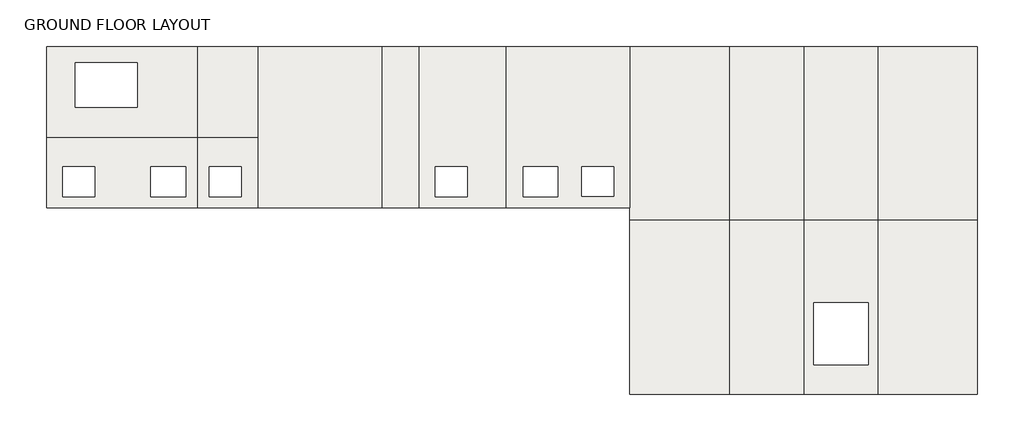
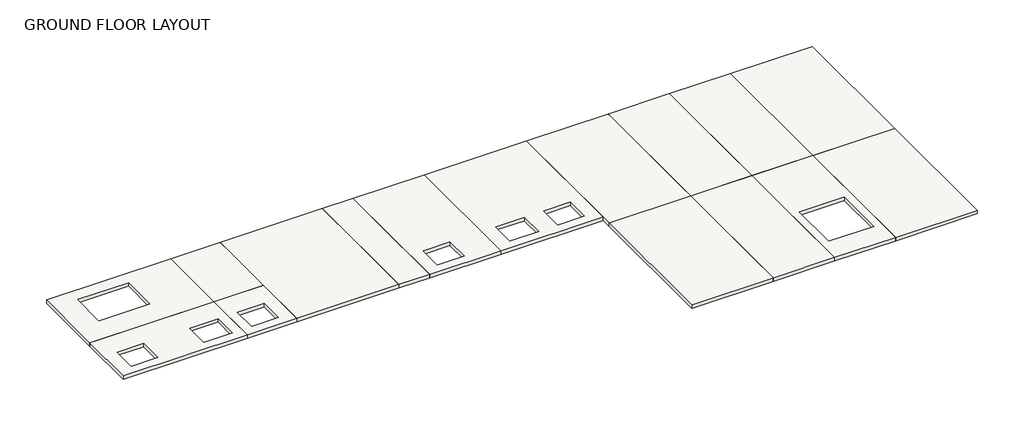
# One storey: 16 slabs.
"""IFC4 building model written with IfcOpenShell, lengths in millimetres."""

from ifc_helpers import new_model, si_unit, frame, origin, place, context, project, spatial, polyline, outline, extrude, faceted_brep, element, save

model = new_model("IFC4")

# Units and contexts
model_context = context("Model", 3, world=origin())
ifc_project = project(units=[si_unit("LENGTHUNIT", "METRE", prefix="MILLI")], contexts=[model_context])

# Site, building, storey
site = spatial("IfcSite", under=ifc_project)
building = spatial("IfcBuilding", under=site)
storey = spatial("IfcBuildingStorey", under=building, Name="GROUND FLOOR LAYOUT", Elevation=0.0)

# Slabs
placement = place(None, origin())
element("IfcSlab", 1, ObjectType="Insitu Concrete 175mm", at=placement, inside=storey, context=model_context, shape_type="SweptSolid", body=[
    extrude(outline(polyline([(26196.647918, 20479.978224), (26196.647918, 17654.978224), (23771.647918, 17654.978224), (23771.647918, 20479.978224), (26196.647918, 20479.978224)]), holes=[polyline([(24246.647918, 19304.978224), (24246.647918, 18104.978224), (25546.647918, 18104.978224), (25546.647918, 19304.978224), (24246.647918, 19304.978224)])]), frame((0.0, 0.0, -175.0), z_axis=(0.0, 0.0, 1.0), x_axis=(1.0, 0.0, 0.0)), (0.0, 0.0, 1.0), 175.0),
])
element("IfcSlab", 2, ObjectType="Insitu Concrete 175mm", at=placement, inside=storey, context=model_context, shape_type="SweptSolid", body=[
    extrude(outline(polyline([(23771.647918, 24154.978224), (23771.647918, 20479.978224), (17696.647918, 20479.978224), (17696.647918, 24154.978224), (23771.647918, 24154.978224)]), holes=[polyline([(18846.398417, 23504.746395), (18846.398417, 21704.9958962), (21346.398417, 21704.9958962), (21346.398417, 23504.746395), (18846.398417, 23504.746395)])]), frame((0.0, 0.0, -175.0), z_axis=(0.0, 0.0, 1.0), x_axis=(1.0, 0.0, 0.0)), (0.0, 0.0, 1.0), 175.0),
])
element("IfcSlab", 3, ObjectType="Insitu Concrete 175mm", at=placement, inside=storey, context=model_context, shape_type="SweptSolid", body=[
    extrude(outline(polyline([(23771.647918, 20479.978224), (23771.647918, 17654.978224), (17696.647918, 17654.978224), (17696.647918, 20479.978224), (23771.647918, 20479.978224)]), holes=[polyline([(18346.6456664, 19304.978224), (18346.6456664, 18104.7737216), (19646.6456664, 18104.7737216), (19646.6456664, 19304.978224), (18346.6456664, 19304.978224)]), polyline([(21896.647918, 19304.978224), (21896.647918, 18104.978224), (23296.647918, 18104.978224), (23296.647918, 19304.978224), (21896.647918, 19304.978224)])]), frame((0.0, 0.0, -175.0), z_axis=(0.0, 0.0, 1.0), x_axis=(1.0, 0.0, 0.0)), (0.0, 0.0, 1.0), 175.0),
])
element("IfcSlab", 4, ObjectType="Insitu Concrete 175mm", at=placement, inside=storey, context=model_context, shape_type="Brep", body=[
    faceted_brep([(26196.647918, 17654.978224, -175.0), (26196.647918, 17654.978224, 0.0), (26196.647918, 20479.978224, 0.0), (26196.647918, 24154.978224, 0.0), (26196.647918, 24154.978224, -175.0), (26196.647918, 20479.978224, -175.0), (31196.647918, 24154.978224, 0.0), (31196.647918, 24154.978224, -175.0), (31196.647918, 17654.978224, 0.0), (31196.647918, 17654.978224, -175.0)], [[[0, 1, 2, 3, 4, 5]], [[4, 3, 6, 7]], [[7, 6, 8, 9]], [[9, 8, 1, 0]], [[8, 6, 3, 2, 1]], [[9, 0, 5, 4, 7]]]),
])
element("IfcSlab", 5, ObjectType="Insitu Concrete 175mm", at=placement, inside=storey, context=model_context, shape_type="SweptSolid", body=[
    extrude(outline(polyline([(36196.647918, 24154.978224), (36196.647918, 17654.978224), (32696.647918, 17654.978224), (32696.647918, 24154.978224), (36196.647918, 24154.978224)]), holes=[polyline([(33346.1790466, 19304.978224), (33346.1790466, 18104.7737216), (34646.1790466, 18104.7737216), (34646.1790466, 19304.978224), (33346.1790466, 19304.978224)])]), frame((0.0, 0.0, -175.0), z_axis=(0.0, 0.0, 1.0), x_axis=(1.0, 0.0, 0.0)), (0.0, 0.0, 1.0), 175.0),
])
element("IfcSlab", 6, ObjectType="Insitu Concrete 175mm", at=placement, inside=storey, context=model_context, shape_type="SweptSolid", body=[
    extrude(outline(polyline([(45196.59455, 10154.978224), (41196.59455, 10154.978224), (41196.59455, 17154.978224), (45196.59455, 17154.978224), (45196.59455, 10154.978224)])), frame((0.0, 0.0, -175.0), z_axis=(0.0, 0.0, 1.0), x_axis=(1.0, 0.0, 0.0)), (0.0, 0.0, 1.0), 175.0),
])
element("IfcSlab", 7, ObjectType="Insitu Concrete 175mm", at=placement, inside=storey, context=model_context, shape_type="SweptSolid", body=[
    extrude(outline(polyline([(48196.59455, 10154.978224), (45196.59455, 10154.978224), (45196.59455, 17154.978224), (48196.59455, 17154.978224), (48196.59455, 10154.978224)])), frame((0.0, 0.0, -175.0), z_axis=(0.0, 0.0, 1.0), x_axis=(1.0, 0.0, 0.0)), (0.0, 0.0, 1.0), 175.0),
])
element("IfcSlab", 8, ObjectType="Insitu Concrete 175mm", at=placement, inside=storey, context=model_context, shape_type="SweptSolid", body=[
    extrude(outline(polyline([(51184.121234, 17154.978224), (51184.121234, 10154.978224), (48196.59455, 10154.978224), (48196.59455, 17154.978224), (51184.121234, 17154.978224)]), holes=[polyline([(48596.5945498, 13826.9365641), (48596.5945498, 11330.3533767), (50796.5945498, 11330.3533767), (50796.5945498, 13826.9365641), (48596.5945498, 13826.9365641)])]), frame((0.0, 0.0, -175.0), z_axis=(0.0, 0.0, 1.0), x_axis=(1.0, 0.0, 0.0)), (0.0, 0.0, 1.0), 175.0),
])
element("IfcSlab", 9, ObjectType="Insitu Concrete 175mm", at=placement, inside=storey, context=model_context, shape_type="SweptSolid", body=[
    extrude(outline(polyline([(55196.59455, 17154.978224), (51184.121234, 17154.978224), (51184.121234, 24154.978224), (55196.59455, 24154.978224), (55196.59455, 17154.978224)])), frame((0.0, 0.0, -175.0), z_axis=(0.0, 0.0, 1.0), x_axis=(1.0, 0.0, 0.0)), (0.0, 0.0, 1.0), 175.0),
])
element("IfcSlab", 10, ObjectType="Insitu Concrete 175mm", at=placement, inside=storey, context=model_context, shape_type="SweptSolid", body=[
    extrude(outline(polyline([(51184.121234, 17154.978224), (48196.59455, 17154.978224), (48196.59455, 24154.978224), (51184.121234, 24154.978224), (51184.121234, 17154.978224)])), frame((0.0, 0.0, -175.0), z_axis=(0.0, 0.0, 1.0), x_axis=(1.0, 0.0, 0.0)), (0.0, 0.0, 1.0), 175.0),
])
element("IfcSlab", 11, ObjectType="Insitu Concrete 175mm", at=placement, inside=storey, context=model_context, shape_type="SweptSolid", body=[
    extrude(outline(polyline([(48196.59455, 17154.978224), (45196.59455, 17154.978224), (45196.59455, 24154.978224), (48196.59455, 24154.978224), (48196.59455, 17154.978224)])), frame((0.0, 0.0, -175.0), z_axis=(0.0, 0.0, 1.0), x_axis=(1.0, 0.0, 0.0)), (0.0, 0.0, 1.0), 175.0),
])
element("IfcSlab", 12, ObjectType="Insitu Concrete 175mm", at=placement, inside=storey, context=model_context, shape_type="Brep", body=[
    faceted_brep([(41196.59455, 17154.978224, -175.0), (41196.59455, 17154.978224, 0.0), (41196.59455, 17654.978224, 0.0), (41196.59455, 24154.978224, 0.0), (41196.59455, 24154.978224, -175.0), (41196.59455, 17654.978224, -175.0), (45196.59455, 24154.978224, 0.0), (45196.59455, 24154.978224, -175.0), (45196.59455, 17154.978224, 0.0), (45196.59455, 17154.978224, -175.0)], [[[0, 1, 2, 3, 4, 5]], [[4, 3, 6, 7]], [[7, 6, 8, 9]], [[9, 8, 1, 0]], [[8, 6, 3, 2, 1]], [[9, 0, 5, 4, 7]]]),
])
element("IfcSlab", 13, ObjectType="Insitu Concrete 175mm", at=placement, inside=storey, context=model_context, shape_type="SweptSolid", body=[
    extrude(outline(polyline([(55196.59455, 10154.978224), (51184.121234, 10154.978224), (51184.121234, 17154.978224), (55196.59455, 17154.978224), (55196.59455, 10154.978224)])), frame((0.0, 0.0, -175.0), z_axis=(0.0, 0.0, 1.0), x_axis=(1.0, 0.0, 0.0)), (0.0, 0.0, 1.0), 175.0),
])
element("IfcSlab", 14, ObjectType="Insitu Concrete 175mm", at=placement, inside=storey, context=model_context, shape_type="SweptSolid", body=[
    extrude(outline(polyline([(26196.647918, 20479.978224), (23771.647918, 20479.978224), (23771.647918, 24154.978224), (26196.647918, 24154.978224), (26196.647918, 20479.978224)])), frame((0.0, 0.0, -175.0), z_axis=(0.0, 0.0, 1.0), x_axis=(1.0, 0.0, 0.0)), (0.0, 0.0, 1.0), 175.0),
])
element("IfcSlab", 15, ObjectType="Insitu Concrete 175mm", at=placement, inside=storey, context=model_context, shape_type="SweptSolid", body=[
    extrude(outline(polyline([(32696.647918, 17654.978224), (31196.647918, 17654.978224), (31196.647918, 24154.978224), (32696.647918, 24154.978224), (32696.647918, 17654.978224)])), frame((0.0, 0.0, -175.0), z_axis=(0.0, 0.0, 1.0), x_axis=(1.0, 0.0, 0.0)), (0.0, 0.0, 1.0), 175.0),
])
element("IfcSlab", 16, ObjectType="Insitu Concrete 175mm", at=placement, inside=storey, context=model_context, shape_type="SweptSolid", body=[
    extrude(outline(polyline([(41196.59455, 24154.978224), (41196.59455, 17654.978224), (36196.647918, 17654.978224), (36196.647918, 24154.978224), (41196.59455, 24154.978224)]), holes=[polyline([(36896.5945501, 19304.978224), (36896.5945501, 18104.978224), (38296.5945501, 18104.978224), (38296.5945501, 19304.978224), (36896.5945501, 19304.978224)]), polyline([(39246.5945501, 19304.978224), (39246.5945501, 18115.5688711), (40546.5945501, 18115.5688711), (40546.5945501, 19304.978224), (39246.5945501, 19304.978224)])]), frame((0.0, 0.0, -175.0), z_axis=(0.0, 0.0, 1.0), x_axis=(1.0, 0.0, 0.0)), (0.0, 0.0, 1.0), 175.0),
])

save(model, "model.ifc")
